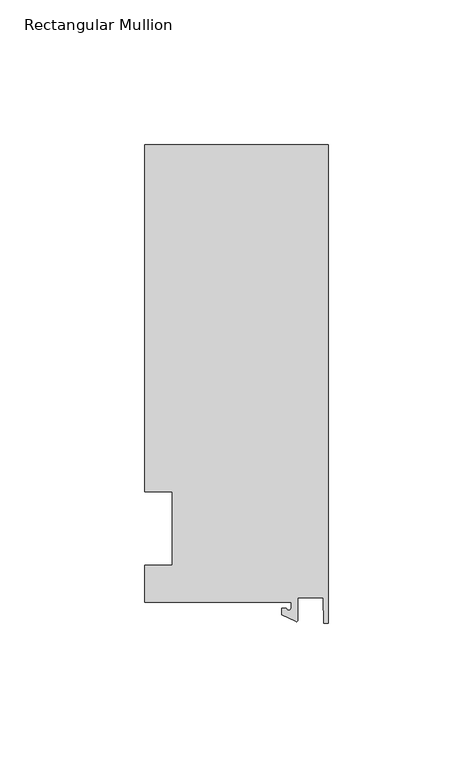
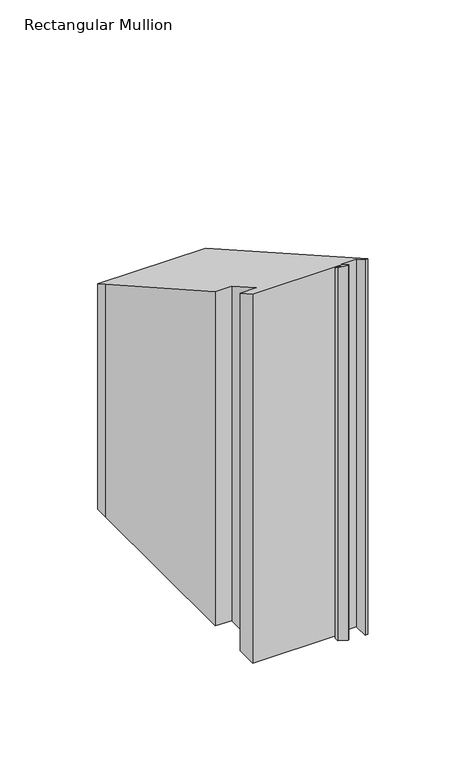
"""IFC4 building model written with IfcOpenShell, lengths in millimetres: member geometry, Rectangular Mullion."""

from ifc_helpers import new_model, si_unit, frame, origin, place, context, project, spatial, polyline, circle_curve, ellipse_curve, source, transform, mapped, element, save
from ifc_brep_helpers import plane_surface, cylinder_surface, revolved_surface, advanced_brep


def rectangular_mullion_80d4486d(model_context):
    return source(origin(), model_context, "Body", "AdvancedBrep", [
        advanced_brep(
        [(-12.8216721, -25.5984375, -215.617205), (-63.5, -25.5984375, -215.617205), (-63.5, -12.7, -215.617205), (-53.975, -12.7, -215.617205), (-53.975, 12.7, -215.617205), (-63.5, 12.7, -215.617205), (-63.5, 125.075512, -215.617205), (-63.5, 132.822512, -215.617205), (0.0, 132.822512, -215.617205), (0.0, -32.810012, -215.617205), (-1.5566453, -32.810012, -215.617205), (-1.7144124, -23.9227662, -215.617205), (-10.4340721, -23.9227662, -215.617205), (-10.4340721, -31.6795354, -215.617205), (-11.1567622, -32.1399398, -215.617205), (-15.9966721, -29.8830527, -215.617205), (-15.9966721, -27.5208534, -215.617205), (-14.4091721, -27.5208534, -215.617205), (-12.8216721, -27.5208534, -215.617205), (-12.8216721, -27.5208534, 15.5705497), (-12.8216721, -25.5984375, 14.4828991), (-14.4091721, -27.5208534, 15.5705497), (-15.9966721, -27.5208534, 15.5705497), (-15.9966721, -29.8830527, 16.9070178), (-11.1567622, -32.1399398, 18.183903), (-10.4340721, -31.6795354, 17.9234188), (-10.4340721, -23.9227662, 13.5348499), (-1.7144124, -23.9227662, 13.5348499), (-1.5566453, -32.810012, 18.5630116), (0.0, -32.810012, 18.5630116), (0.0, 132.822512, -75.1473616), (-63.5, 132.822512, -75.1473616), (-63.5, 125.075512, -70.7643199), (-63.5, 12.7, -7.1853143), (-53.975, 12.7, -7.1853143), (-53.975, -12.7, 7.1853143), (-63.5, -12.7, 7.1853143), (-63.5, -25.5984375, 14.4828991)],
        [
            (0, 1),
            (1, 2),
            (2, 3),
            (3, 4),
            (4, 5),
            (5, 6),
            (6, 7),
            (7, 8),
            (8, 9),
            (9, 10),
            (10, 11),
            (11, 12),
            (12, 13),
            (13, 14, circle_curve(frame((-10.9420721, -31.6795354, -215.617205), z_axis=(0.0, 0.0, -1.0), x_axis=(-1.0, 0.0, 0.0)), 0.508)),
            (14, 15),
            (15, 16),
            (16, 17),
            (17, 18, circle_curve(frame((-13.6154221, -27.5208534, -215.617205), z_axis=(0.0, 0.0, 1.0), x_axis=(-1.0, 0.0, 0.0)), 0.79375)),
            (18, 0),
            (19, 20),
            (20, 0),
            (18, 19),
            (21, 19, ellipse_curve(frame((-13.6154221, -27.5208534, 15.5705497), z_axis=(0.0, 0.4924235601034684, 0.8703556959398989), x_axis=(0.0, 0.8703556959398989, -0.49242356010346844)), 0.9119835, 0.79375)),
            (17, 21),
            (22, 21),
            (16, 22),
            (23, 22),
            (15, 23),
            (24, 23),
            (14, 24),
            (25, 24, ellipse_curve(frame((-10.9420721, -31.6795354, 17.9234188), z_axis=(0.0, -0.4924235601034684, -0.8703556959398989), x_axis=(0.0, -0.8703556959398989, 0.49242356010346844)), 0.5836694, 0.508)),
            (13, 25),
            (26, 25),
            (12, 26),
            (27, 26),
            (11, 27),
            (28, 27),
            (10, 28),
            (29, 28),
            (9, 29),
            (30, 29),
            (8, 30),
            (31, 30),
            (7, 31),
            (32, 31),
            (6, 32),
            (33, 32),
            (5, 33),
            (34, 33),
            (4, 34),
            (35, 34),
            (3, 35),
            (36, 35),
            (2, 36),
            (37, 36),
            (1, 37),
            (20, 37),
        ],
        [
            plane_surface(frame((0.0, -147.2211591, -215.617205), z_axis=(0.0, 0.0, -1.0), x_axis=(-1.0, 0.0, 0.0))),
            plane_surface(frame((-12.8216721, -25.5984375, 0.0), z_axis=(-1.0, 0.0, 0.0), x_axis=(0.0, 0.0, -1.0))),
            revolved_surface(polyline([(-14.4091721, -27.5208534, -215.617205), (-14.4091721, -27.5208534, 16.019631861825623)]), (-13.6154221, -27.5208534, 0.0), (0.0, 0.0, -1.0)),
            plane_surface(frame((-14.4091721, -27.5208534, 0.0), z_axis=(0.0, 1.0, 0.0), x_axis=(0.0, 0.0, -1.0))),
            plane_surface(frame((-15.9966721, -27.5208534, 0.0), z_axis=(-1.0, 0.0, 0.0), x_axis=(0.0, 0.0, -1.0))),
            plane_surface(frame((-15.9966721, -29.8830527, 0.0), z_axis=(-0.4226182617406985, -0.9063077870366505, 0.0), x_axis=(0.0, 0.0, -1.0))),
            cylinder_surface(frame((-10.9420721, -31.6795354, 0.0), z_axis=(0.0, 0.0, 1.0), x_axis=(-1.0, 0.0, 0.0)), 0.508),
            plane_surface(frame((-10.4340721, -31.6795354, 0.0), z_axis=(1.0, 0.0, 0.0), x_axis=(0.0, 0.0, -1.0))),
            plane_surface(frame((-10.4340721, -23.9227662, 0.0), z_axis=(0.0, -1.0, 0.0), x_axis=(0.0, 0.0, -1.0))),
            plane_surface(frame((-1.7144124, -23.9227662, 0.0), z_axis=(-0.9998424690407919, -0.017749284560600327, 0.0), x_axis=(0.0, 0.0, -1.0))),
            plane_surface(frame((-1.5566453, -32.810012, 0.0), z_axis=(0.0, -1.0, 0.0), x_axis=(0.0, 0.0, -1.0))),
            plane_surface(frame((0.0, -32.810012, 0.0), z_axis=(1.0, 0.0, 0.0), x_axis=(0.0, 0.0, -1.0))),
            plane_surface(frame((0.0, 132.822512, 0.0), z_axis=(0.0, 1.0, 0.0), x_axis=(0.0, 0.0, -1.0))),
            plane_surface(frame((-63.5, 132.822512, 0.0), z_axis=(-1.0, 0.0, 0.0), x_axis=(0.0, 0.0, -1.0))),
            plane_surface(frame((-63.5, 125.075512, 0.0), z_axis=(-1.0, 0.0, 0.0), x_axis=(0.0, 0.0, -1.0))),
            plane_surface(frame((-63.5, 12.7, 0.0), z_axis=(0.0, -1.0, 0.0), x_axis=(0.0, 0.0, -1.0))),
            plane_surface(frame((-53.975, 12.7, 0.0), z_axis=(-1.0, 0.0, 0.0), x_axis=(0.0, 0.0, -1.0))),
            plane_surface(frame((-53.975, -12.7, 0.0), z_axis=(0.0, 1.0, 0.0), x_axis=(0.0, 0.0, -1.0))),
            plane_surface(frame((-63.5, -12.7, 0.0), z_axis=(-1.0, 0.0, 0.0), x_axis=(0.0, 0.0, -1.0))),
            plane_surface(frame((-63.5, -25.5984375, 0.0), z_axis=(0.0, -1.0, 0.0), x_axis=(0.0, 0.0, -1.0))),
            plane_surface(frame((-304.8, 0.0, 0.0), z_axis=(0.0, 0.4924235601034684, 0.8703556959398989), x_axis=(0.0, 0.8703556959398989, -0.4924235601034684))),
        ],
        [
            (0, [[1, 2, 3, 4, 5, 6, 7, 8, 9, 10, 11, 12, 13, 14, 15, 16, 17, 18, 19]]),
            (1, [[20, 21, -19, 22]]),
            (2, [[23, -22, -18, 24]]),
            (3, [[25, -24, -17, 26]]),
            (4, [[27, -26, -16, 28]]),
            (5, [[29, -28, -15, 30]]),
            (6, [[31, -30, -14, 32]]),
            (7, [[33, -32, -13, 34]]),
            (8, [[35, -34, -12, 36]]),
            (9, [[37, -36, -11, 38]]),
            (10, [[39, -38, -10, 40]]),
            (11, [[41, -40, -9, 42]]),
            (12, [[43, -42, -8, 44]]),
            (13, [[45, -44, -7, 46]]),
            (14, [[47, -46, -6, 48]]),
            (15, [[49, -48, -5, 50]]),
            (16, [[51, -50, -4, 52]]),
            (17, [[53, -52, -3, 54]]),
            (18, [[55, -54, -2, 56]]),
            (19, [[57, -56, -1, -21]]),
            (20, [[-20, -23, -25, -27, -29, -31, -33, -35, -37, -39, -41, -43, -45, -47, -49, -51, -53, -55, -57]]),
        ],
    ),
    ])


if __name__ == "__main__":
    model = new_model("IFC4")
    model_context = context("Model", 3, world=origin())
    ifc_project = project(units=[si_unit("LENGTHUNIT", "METRE", prefix="MILLI")], contexts=[model_context])
    site = spatial("IfcSite", under=ifc_project)
    building = spatial("IfcBuilding", under=site)
    placement = place(None, origin())
    rectangular_mullion_shape = rectangular_mullion_80d4486d(model_context)
    element("IfcMember", 1, ObjectType="Rectangular Mullion", at=placement, inside=building, context=model_context, shape_type="MappedRepresentation", body=[
        mapped(rectangular_mullion_shape, transform((0.0, 0.0, 0.0), x_axis=(1.0, 0.0, 0.0), y_axis=(0.0, 1.0, 0.0), z_axis=(0.0, 0.0, 1.0))),
    ])
    save(model, "model.ifc")
